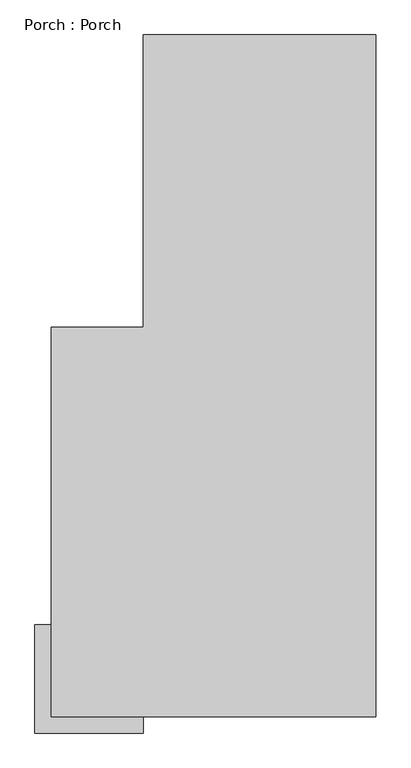
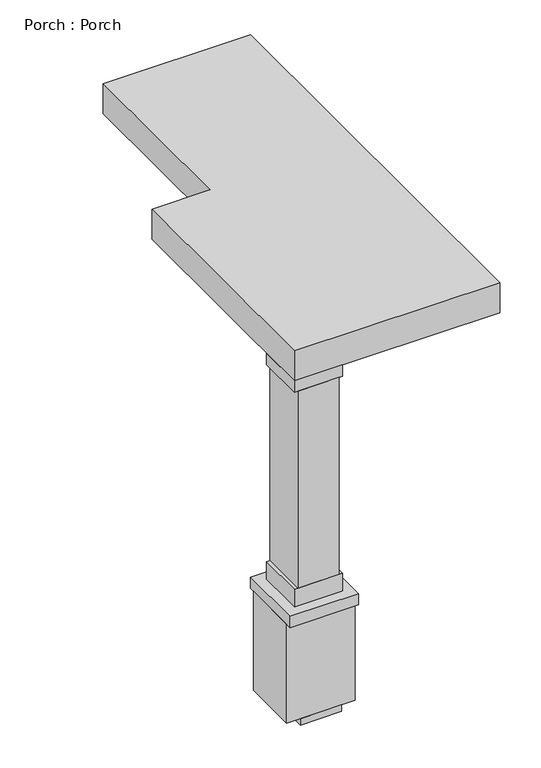
"""IFC4 building model written with IfcOpenShell, lengths in millimetres: proxy geometry, Porch : Porch."""

from ifc_helpers import new_model, si_unit, frame, origin, place, context, project, spatial, polyline, outline, extrude, source, transform, mapped, element, save


def porch_porch_5d2d23eb(model_context):
    return source(origin(), model_context, "Body", "SweptSolid", [
        extrude(outline(polyline([(4243.103833, -1967.1690671), (3938.303833, -1967.1690671), (3938.303833, -1541.7190671), (4243.103833, -1541.7190671), (4243.103833, -1967.1690671)])), frame((0.0, 0.0, 304.8), z_axis=(0.0, 0.0, 1.0), x_axis=(1.0, 0.0, 0.0)), (0.0, 0.0, 1.0), 50.8),
        extrude(outline(polyline([(4344.703833, -1967.1690671), (3836.703833, -1967.1690671), (3836.703833, -1541.7190671), (4344.703833, -1541.7190671), (4344.703833, -1967.1690671)])), frame((0.0, 0.0, 355.6), z_axis=(0.0, 0.0, 1.0), x_axis=(1.0, 0.0, 0.0)), (0.0, 0.0, 1.0), 774.7),
        extrude(outline(polyline([(4344.703833, -2011.6190671), (3836.703833, -2011.6190671), (3836.703833, -1503.6190671), (4344.703833, -1503.6190671), (4344.703833, -2011.6190671)])), frame((0.0, 0.0, 1130.3), z_axis=(0.0, 0.0, 1.0), x_axis=(1.0, 0.0, 0.0)), (0.0, 0.0, 1.0), 88.9),
        extrude(outline(polyline([(4243.103833, -1935.4190671), (3938.303833, -1935.4190671), (3938.303833, -1579.8190671), (4243.103833, -1579.8190671), (4243.103833, -1935.4190671)])), frame((0.0, 0.0, 1358.9), z_axis=(0.0, 0.0, 1.0), x_axis=(1.0, 0.0, 0.0)), (0.0, 0.0, 1.0), 1543.05),
        extrude(outline(polyline([(4268.503833, -1935.4190671), (3912.903833, -1935.4190671), (3912.903833, -1579.8190671), (4268.503833, -1579.8190671), (4268.503833, -1935.4190671)])), frame((0.0, 0.0, 1219.2), z_axis=(0.0, 0.0, 1.0), x_axis=(1.0, 0.0, 0.0)), (0.0, 0.0, 1.0), 139.7),
        extrude(outline(polyline([(4268.503833, -1935.4190671), (3912.903833, -1935.4190671), (3912.903833, -1579.8190671), (4268.503833, -1579.8190671), (4268.503833, -1935.4190671)])), frame((0.0, 0.0, 2901.95), z_axis=(0.0, 0.0, 1.0), x_axis=(1.0, 0.0, 0.0)), (0.0, 0.0, 1.0), 88.9),
        extrude(outline(polyline([(3912.903833, -1935.4190671), (3912.903833, -106.6190671), (4344.703833, -106.6190671), (4344.703833, 1264.9809329), (5436.903833, 1264.9809329), (5436.903833, -1935.4190671), (3912.903833, -1935.4190671)])), frame((0.0, 0.0, 2990.85), z_axis=(0.0, 0.0, 1.0), x_axis=(1.0, 0.0, 0.0)), (0.0, 0.0, 1.0), 234.95),
    ])


if __name__ == "__main__":
    model = new_model("IFC4")
    model_context = context("Model", 3, world=origin())
    ifc_project = project(units=[si_unit("LENGTHUNIT", "METRE", prefix="MILLI")], contexts=[model_context])
    site = spatial("IfcSite", under=ifc_project)
    building = spatial("IfcBuilding", under=site)
    placement = place(None, origin())
    porch_porch_shape = porch_porch_5d2d23eb(model_context)
    element("IfcBuildingElementProxy", 1, Name="Porch : Porch", ObjectType="Porch : Porch", at=placement, inside=building, context=model_context, shape_type="MappedRepresentation", body=[
        mapped(porch_porch_shape, transform((0.0, 0.0, 0.0), x_axis=(1.0, 0.0, 0.0), y_axis=(0.0, 1.0, 0.0), z_axis=(0.0, 0.0, 1.0))),
    ])
    save(model, "model.ifc")
